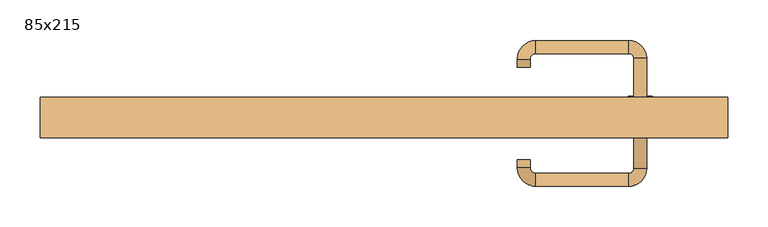
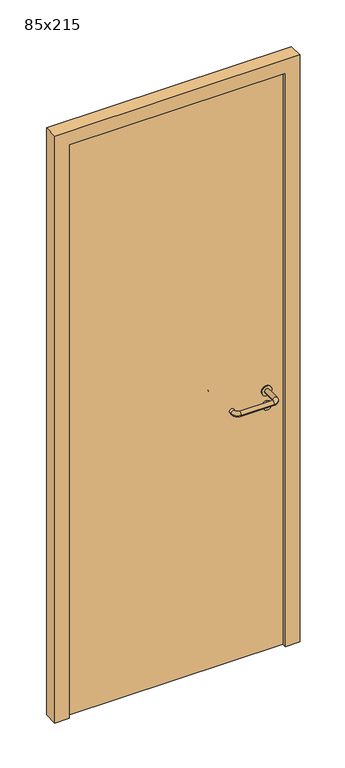
"""IFC4 building model written with IfcOpenShell, lengths in millimetres: door geometry, 85x215."""

from ifc_helpers import new_model, si_unit, point, frame, frame_2d, origin, origin_with_axes, place, context, project, spatial, polyline, circle_curve, ellipse_curve, trimmed, segment, composite_curve, outline, extrude, source, transform, mapped, element, save
from ifc_brep_helpers import plane_surface, cylinder_surface, revolved_surface, advanced_brep


def door_85x215_29d18fee(model_context):
    return source(origin(), model_context, "Body", "SolidModel", [
        extrude(outline(composite_curve([segment(trimmed(circle_curve(frame_2d((897.3605726, 317.0)), 15.0), [point((897.3605726, 332.0))], [point((897.3605726, 302.0))], False, "CARTESIAN"), True, "CONTINUOUS"), segment(trimmed(circle_curve(frame_2d((897.3605726, 317.0)), 15.0), [point((897.3605726, 302.0))], [point((897.3605726, 332.0))], False, "CARTESIAN"), True, "CONTINUOUS")], self_intersect=False), holes=[composite_curve([segment(trimmed(circle_curve(frame_2d((892.5833211, 316.9398032)), 2.0), [point((892.5833211, 318.9398032))], [point((892.5833211, 314.9398032))], True, "CARTESIAN"), True, "CONTINUOUS"), segment(polyline([(892.5833211, 314.9398032), (902.5833211, 314.9398032)]), True, "CONTINUOUS"), segment(trimmed(circle_curve(frame_2d((902.5833211, 316.9398032)), 2.0), [point((902.5833211, 314.9398032))], [point((902.5833211, 318.9398032))], True, "CARTESIAN"), True, "CONTINUOUS"), segment(polyline([(902.5833211, 318.9398032), (892.5833211, 318.9398032)]), True, "CONTINUOUS")], self_intersect=False)]), frame((0.0, 33.65, 0.0), z_axis=(0.0, 1.0, 0.0), x_axis=(0.0, 0.0, 1.0)), (0.0, 0.0, 1.0), 6.35),
        extrude(outline(composite_curve([segment(trimmed(circle_curve(frame_2d((950.0, 317.0)), 17.526), [point((950.0, 334.526))], [point((950.0, 299.474))], False, "CARTESIAN"), True, "CONTINUOUS"), segment(trimmed(circle_curve(frame_2d((950.0, 317.0)), 17.526), [point((950.0, 299.474))], [point((950.0, 334.526))], False, "CARTESIAN"), True, "CONTINUOUS")], self_intersect=False)), frame((0.0, 36.825, 0.0), z_axis=(0.0, 1.0, 0.0), x_axis=(0.0, 0.0, 1.0)), (0.0, 0.0, 1.0), 3.175),
        advanced_brep(
        [(325.0, 40.0, 950.0), (309.0, 40.0, 950.0), (309.0, -13.0, 950.0), (325.0, -13.0, 950.0), (302.8578644, -19.1421356, 950.0), (302.8578644, -35.1421356, 950.0), (187.8578644, -19.1421356, 950.0), (187.8578644, -35.1421356, 950.0), (181.008622, -12.2928932, 950.0), (165.008622, -12.2928932, 950.0), (165.008622, -2.2928932, 950.0), (181.008622, -2.2928932, 950.0)],
        [
            (0, 1, circle_curve(frame((317.0, 40.0, 950.0), z_axis=(0.0, 1.0, 0.0), x_axis=(-1.0, 0.0, 0.0)), 8.0)),
            (1, 0, circle_curve(frame((317.0, 40.0, 950.0), z_axis=(0.0, 1.0, 0.0), x_axis=(-1.0, 0.0, 0.0)), 8.0)),
            (1, 2),
            (2, 3, circle_curve(frame((317.0, -13.0, 950.0), z_axis=(0.0, 1.0, 0.0), x_axis=(-1.0, 0.0, 0.0)), 8.0)),
            (3, 0),
            (3, 2, circle_curve(frame((317.0, -13.0, 950.0), z_axis=(0.0, 1.0, 0.0), x_axis=(-1.0, 0.0, 0.0)), 8.0)),
            (4, 5, circle_curve(frame((302.8578644, -27.1421356, 950.0), z_axis=(1.0, 0.0, 0.0), x_axis=(0.0, 1.0, 0.0)), 8.0)),
            (5, 3, circle_curve(frame((302.8578644, -13.0, 950.0), z_axis=(0.0, 0.0, 1.0), x_axis=(1.0, 0.0, 0.0)), 22.1421356)),
            (2, 4, circle_curve(frame((302.8578644, -13.0, 950.0), z_axis=(0.0, 0.0, -1.0), x_axis=(1.0, 0.0, 0.0)), 6.1421356)),
            (5, 4, circle_curve(frame((302.8578644, -27.1421356, 950.0), z_axis=(1.0, 0.0, 0.0), x_axis=(0.0, 1.0, 0.0)), 8.0)),
            (4, 6),
            (6, 7, circle_curve(frame((187.8578644, -27.1421356, 950.0), z_axis=(1.0, 0.0, 0.0), x_axis=(0.0, 1.0, 0.0)), 8.0)),
            (7, 5),
            (7, 6, circle_curve(frame((187.8578644, -27.1421356, 950.0), z_axis=(1.0, 0.0, 0.0), x_axis=(0.0, 1.0, 0.0)), 8.0)),
            (8, 9, circle_curve(frame((173.008622, -12.2928932, 950.0), z_axis=(0.0, -1.0, 0.0), x_axis=(1.0, 0.0, 0.0)), 8.0)),
            (9, 7, circle_curve(frame((187.8578644, -12.2928932, 950.0), z_axis=(0.0, 0.0, 1.0), x_axis=(0.0, -1.0, 0.0)), 22.8492424)),
            (6, 8, circle_curve(frame((187.8578644, -12.2928932, 950.0), z_axis=(0.0, 0.0, -1.0), x_axis=(0.0, -1.0, 0.0)), 6.8492424)),
            (9, 8, circle_curve(frame((173.008622, -12.2928932, 950.0), z_axis=(0.0, -1.0, 0.0), x_axis=(1.0, 0.0, 0.0)), 8.0)),
            (10, 11, circle_curve(frame((173.008622, -2.2928932, 950.0), z_axis=(0.0, 1.0, 0.0), x_axis=(1.0, 0.0, 0.0)), 8.0)),
            (11, 10, circle_curve(frame((173.008622, -2.2928932, 950.0), z_axis=(0.0, 1.0, 0.0), x_axis=(1.0, 0.0, 0.0)), 8.0)),
            (8, 11),
            (10, 9),
        ],
        [
            plane_surface(frame((317.0, 40.0, 170.0), z_axis=(0.0, 1.0, 0.0), x_axis=(0.0, 0.0, 1.0))),
            cylinder_surface(frame((317.0, 40.0, 950.0), z_axis=(0.0, 1.0, 0.0), x_axis=(-1.0, 0.0, 0.0)), 8.0),
            revolved_surface(trimmed(ellipse_curve(frame((317.0, -13.0, 950.0), z_axis=(0.0, -1.0, 0.0), x_axis=(-1.0, 0.0, 0.0)), 8.0, 8.0), [point((325.0, -13.0, 950.0))], [point((309.0, -13.0, 950.0))], True, "CARTESIAN"), (302.8578644, -13.0, 170.0), (0.0, 0.0, 1.0)),
            revolved_surface(trimmed(ellipse_curve(frame((317.0, -13.0, 950.0), z_axis=(0.0, -1.0, 0.0), x_axis=(-1.0, 0.0, 0.0)), 8.0, 8.0), [point((309.0, -13.0, 950.0))], [point((325.0, -13.0, 950.0))], True, "CARTESIAN"), (302.8578644, -13.0, 170.0), (0.0, 0.0, 1.0)),
            cylinder_surface(frame((302.8578644, -27.1421356, 950.0), z_axis=(1.0, 0.0, 0.0), x_axis=(0.0, 1.0, 0.0)), 8.0),
            revolved_surface(trimmed(ellipse_curve(frame((187.8578644, -27.1421356, 950.0), z_axis=(-1.0, 0.0, 0.0), x_axis=(0.0, 1.0, 0.0)), 8.0, 8.0), [point((187.8578644, -35.1421356, 950.0))], [point((187.8578644, -19.1421356, 950.0))], True, "CARTESIAN"), (187.8578644, -12.2928932, 170.0), (0.0, 0.0, 1.0)),
            revolved_surface(trimmed(ellipse_curve(frame((187.8578644, -27.1421356, 950.0), z_axis=(-1.0, 0.0, 0.0), x_axis=(0.0, 1.0, 0.0)), 8.0, 8.0), [point((187.8578644, -19.1421356, 950.0))], [point((187.8578644, -35.1421356, 950.0))], True, "CARTESIAN"), (187.8578644, -12.2928932, 170.0), (0.0, 0.0, 1.0)),
            plane_surface(frame((173.008622, -2.2928932, 170.0), z_axis=(0.0, 1.0, 0.0), x_axis=(0.0, 0.0, 1.0))),
            cylinder_surface(frame((173.008622, -12.2928932, 950.0), z_axis=(0.0, -1.0, 0.0), x_axis=(1.0, 0.0, 0.0)), 8.0),
        ],
        [
            (0, [[1, 2]]),
            (1, [[3, 4, 5, -2]]),
            (1, [[-5, 6, -3, -1]]),
            (2, [[7, 8, -4, 9]]),
            (3, [[10, -9, -6, -8]]),
            (4, [[11, 12, 13, -7]]),
            (4, [[-13, 14, -11, -10]]),
            (5, [[15, 16, -12, 17]]),
            (6, [[18, -17, -14, -16]]),
            (7, [[19, 20]]),
            (8, [[21, -19, 22, -15]]),
            (8, [[-22, -20, -21, -18]]),
        ],
    ),
        extrude(outline(composite_curve([segment(trimmed(circle_curve(frame_2d((0.0, -15.0)), 15.0), [point((0.0, -30.0))], [point((0.0, 0.0))], False, "CARTESIAN"), True, "CONTINUOUS"), segment(trimmed(circle_curve(frame_2d((0.0, -15.0)), 15.0), [point((0.0, 0.0))], [point((0.0, -30.0))], False, "CARTESIAN"), True, "CONTINUOUS")], self_intersect=False), holes=[composite_curve([segment(trimmed(circle_curve(frame_2d((4.7772515, -14.9398032)), 2.0), [point((4.7772515, -16.9398032))], [point((4.7772515, -12.9398032))], True, "CARTESIAN"), True, "CONTINUOUS"), segment(polyline([(4.7772515, -12.9398032), (-5.2227485, -12.9398032)]), True, "CONTINUOUS"), segment(trimmed(circle_curve(frame_2d((-5.2227485, -14.9398032)), 2.0), [point((-5.2227485, -12.9398032))], [point((-5.2227485, -16.9398032))], True, "CARTESIAN"), True, "CONTINUOUS"), segment(polyline([(-5.2227485, -16.9398032), (4.7772515, -16.9398032)]), True, "CONTINUOUS")], self_intersect=False)]), frame((302.0, 70.0, 897.3605726), z_axis=(1.8870575173328306e-12, 1.0, 0.0), x_axis=(0.0, 0.0, -1.0)), (0.0, 0.0, 1.0), 6.35),
        extrude(outline(composite_curve([segment(trimmed(circle_curve(frame_2d((0.0, -17.526)), 17.526), [point((0.0, -35.052))], [point((0.0, 0.0))], False, "CARTESIAN"), True, "CONTINUOUS"), segment(trimmed(circle_curve(frame_2d((0.0, -17.526)), 17.526), [point((0.0, 0.0))], [point((0.0, -35.052))], False, "CARTESIAN"), True, "CONTINUOUS")], self_intersect=False)), frame((299.474, 70.0, 950.0), z_axis=(1.8870575173328306e-12, 1.0, 0.0), x_axis=(0.0, 0.0, -1.0)), (0.0, 0.0, 1.0), 3.175),
        advanced_brep(
        [(325.0, 70.0, 950.0), (309.0, 70.0, 950.0), (325.0, 123.0, 950.0), (309.0, 123.0, 950.0), (302.8578644, 129.1421356, 950.0), (302.8578644, 145.1421356, 950.0), (187.8578644, 145.1421356, 950.0), (187.8578644, 129.1421356, 950.0), (181.008622, 122.2928932, 950.0), (165.008622, 122.2928932, 950.0), (165.008622, 112.2928932, 950.0), (181.008622, 112.2928932, 950.0)],
        [
            (0, 1, circle_curve(frame((317.0, 70.0, 950.0), z_axis=(-1.888672253512351e-12, -1.0, 0.0), x_axis=(-1.0, 1.888672253512351e-12, 0.0)), 8.0)),
            (1, 0, circle_curve(frame((317.0, 70.0, 950.0), z_axis=(-1.888672253512351e-12, -1.0, 0.0), x_axis=(-1.0, 1.888672253512351e-12, 0.0)), 8.0)),
            (0, 2),
            (2, 3, circle_curve(frame((317.0, 123.0, 950.0), z_axis=(-1.888672253512351e-12, -1.0, 0.0), x_axis=(-1.0, 1.888672253512351e-12, 0.0)), 8.0)),
            (3, 1),
            (3, 2, circle_curve(frame((317.0, 123.0, 950.0), z_axis=(-1.888672253512351e-12, -1.0, 0.0), x_axis=(-1.0, 1.888672253512351e-12, 0.0)), 8.0)),
            (4, 3, circle_curve(frame((302.8578644, 123.0, 950.0), z_axis=(0.0, 0.0, -1.0), x_axis=(1.0, -1.880717803715015e-12, 0.0)), 6.1421356)),
            (2, 5, circle_curve(frame((302.8578644, 123.0, 950.0), z_axis=(0.0, 0.0, 1.0), x_axis=(1.0, -1.880717803715015e-12, 0.0)), 22.1421356)),
            (5, 4, circle_curve(frame((302.8578644, 137.1421356, 950.0), z_axis=(1.0, -1.913702061528922e-12, 0.0), x_axis=(-1.913702061528922e-12, -1.0, 0.0)), 8.0)),
            (4, 5, circle_curve(frame((302.8578644, 137.1421356, 950.0), z_axis=(1.0, -1.913702061528922e-12, 0.0), x_axis=(-1.913702061528922e-12, -1.0, 0.0)), 8.0)),
            (5, 6),
            (6, 7, circle_curve(frame((187.8578644, 137.1421356, 950.0), z_axis=(1.0, -1.913719828541269e-12, 0.0), x_axis=(-1.913719828541269e-12, -1.0, 0.0)), 8.0)),
            (7, 4),
            (7, 6, circle_curve(frame((187.8578644, 137.1421356, 950.0), z_axis=(1.0, -1.913719828541269e-12, 0.0), x_axis=(-1.913719828541269e-12, -1.0, 0.0)), 8.0)),
            (8, 7, circle_curve(frame((187.8578644, 122.2928932, 950.0), z_axis=(0.0, 0.0, -1.0), x_axis=(1.9120873253494017e-12, 1.0, 0.0)), 6.8492424)),
            (6, 9, circle_curve(frame((187.8578644, 122.2928932, 950.0), z_axis=(0.0, 0.0, 1.0), x_axis=(1.9120873253494017e-12, 1.0, 0.0)), 22.8492424)),
            (9, 8, circle_curve(frame((173.008622, 122.2928932, 950.0), z_axis=(1.890670654956676e-12, 1.0, 0.0), x_axis=(1.0, -1.890670654956676e-12, 0.0)), 8.0)),
            (8, 9, circle_curve(frame((173.008622, 122.2928932, 950.0), z_axis=(1.890226565746826e-12, 1.0, 0.0), x_axis=(1.0, -1.890226565746826e-12, 0.0)), 8.0)),
            (10, 11, circle_curve(frame((173.008622, 112.2928932, 950.0), z_axis=(-1.8903642334018795e-12, -1.0, 0.0), x_axis=(1.0, -1.8903642334018795e-12, 0.0)), 8.0)),
            (11, 10, circle_curve(frame((173.008622, 112.2928932, 950.0), z_axis=(-1.8903642334018795e-12, -1.0, 0.0), x_axis=(1.0, -1.8903642334018795e-12, 0.0)), 8.0)),
            (9, 10),
            (11, 8),
        ],
        [
            plane_surface(frame((317.0, 70.0, 170.0), z_axis=(-1.8870575173328306e-12, -1.0, 0.0), x_axis=(0.0, 0.0, 1.0))),
            cylinder_surface(frame((317.0, 70.0, 950.0), z_axis=(-1.888672253512351e-12, -1.0, 0.0), x_axis=(-1.0, 1.888672253512351e-12, 0.0)), 8.0),
            revolved_surface(trimmed(ellipse_curve(frame((317.0, 123.0, 950.0), z_axis=(-1.8823325398945356e-12, -1.0, 0.0), x_axis=(-1.0, 1.8823325398945356e-12, 0.0)), 8.0, 8.0), [point((325.0, 123.0, 950.0))], [point((309.0, 123.0, 950.0))], True, "CARTESIAN"), (302.8578644, 123.0, 170.0), (0.0, 0.0, 1.0)),
            revolved_surface(trimmed(ellipse_curve(frame((317.0, 123.0, 950.0), z_axis=(-1.8823325398945356e-12, -1.0, 0.0), x_axis=(-1.0, 1.8823325398945356e-12, 0.0)), 8.0, 8.0), [point((309.0, 123.0, 950.0))], [point((325.0, 123.0, 950.0))], True, "CARTESIAN"), (302.8578644, 123.0, 170.0), (0.0, 0.0, 1.0)),
            cylinder_surface(frame((302.8578644, 137.1421356, 950.0), z_axis=(1.0, -1.913719828541269e-12, 0.0), x_axis=(-1.913719828541269e-12, -1.0, 0.0)), 8.0),
            revolved_surface(trimmed(ellipse_curve(frame((187.8578644, 137.1421356, 950.0), z_axis=(1.0, -1.913702061528922e-12, 0.0), x_axis=(-1.913702061528922e-12, -1.0, 0.0)), 8.0, 8.0), [point((187.8578644, 145.1421356, 950.0))], [point((187.8578644, 129.1421356, 950.0))], True, "CARTESIAN"), (187.8578644, 122.2928932, 170.0), (0.0, 0.0, 1.0)),
            revolved_surface(trimmed(ellipse_curve(frame((187.8578644, 137.1421356, 950.0), z_axis=(1.0, -1.913702061528922e-12, 0.0), x_axis=(-1.913702061528922e-12, -1.0, 0.0)), 8.0, 8.0), [point((187.8578644, 129.1421356, 950.0))], [point((187.8578644, 145.1421356, 950.0))], True, "CARTESIAN"), (187.8578644, 122.2928932, 170.0), (0.0, 0.0, 1.0)),
            plane_surface(frame((173.008622, 112.2928932, 170.0), z_axis=(-1.8887494972223595e-12, -1.0, 0.0), x_axis=(0.0, 0.0, 1.0))),
            cylinder_surface(frame((173.008622, 122.2928932, 950.0), z_axis=(1.8903642334018795e-12, 1.0, 0.0), x_axis=(1.0, -1.8903642334018795e-12, 0.0)), 8.0),
        ],
        [
            (0, [[1, 2]]),
            (1, [[-1, 3, 4, 5]]),
            (1, [[-2, -5, 6, -3]]),
            (2, [[7, -4, 8, 9]]),
            (3, [[-8, -6, -7, 10]]),
            (4, [[-9, 11, 12, 13]]),
            (4, [[-10, -13, 14, -11]]),
            (5, [[15, -12, 16, 17]]),
            (6, [[-16, -14, -15, 18]]),
            (7, [[19, 20]]),
            (8, [[-17, 21, -20, 22]]),
            (8, [[-18, -22, -19, -21]]),
        ],
    ),
        extrude(outline(polyline([(2100.0, 375.0), (0.0, 375.0), (0.0, 425.0), (2150.0, 425.0), (2150.0, -425.0), (0.0, -425.0), (0.0, -375.0), (2100.0, -375.0), (2100.0, 375.0)])), frame((0.0, 25.0, 0.0), z_axis=(0.0, 1.0, 0.0), x_axis=(0.0, 0.0, 1.0)), (0.0, 0.0, 1.0), 50.0),
        extrude(outline(polyline([(-375.0, 70.0), (375.0, 70.0), (375.0, 40.0), (-375.0, 40.0), (-375.0, 70.0)])), origin_with_axes(), (0.0, 0.0, 1.0), 2100.0),
    ])


if __name__ == "__main__":
    model = new_model("IFC4")
    model_context = context("Model", 3, world=origin())
    ifc_project = project(units=[si_unit("LENGTHUNIT", "METRE", prefix="MILLI")], contexts=[model_context])
    site = spatial("IfcSite", under=ifc_project)
    building = spatial("IfcBuilding", under=site)
    placement = place(None, origin())
    door_85x215_shape = door_85x215_29d18fee(model_context)
    element("IfcDoor", 1, ObjectType="85x215", at=placement, inside=building, context=model_context, shape_type="MappedRepresentation", body=[
        mapped(door_85x215_shape, transform((0.0, 0.0, 0.0), x_axis=(1.0, 0.0, 0.0), y_axis=(0.0, 1.0, 0.0), z_axis=(0.0, 0.0, 1.0))),
    ])
    save(model, "model.ifc")
